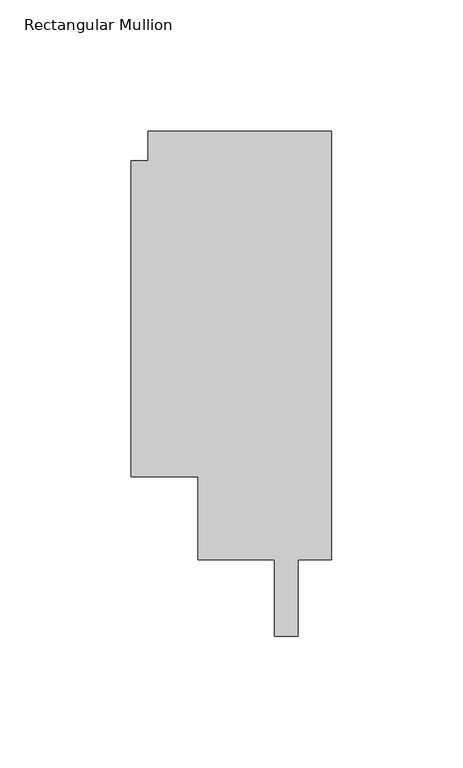
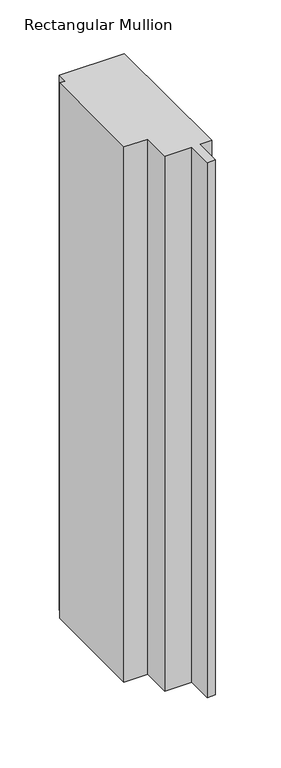
"""IFC4 building model written with IfcOpenShell, lengths in millimetres: member geometry, Rectangular Mullion."""

from ifc_helpers import new_model, si_unit, frame, origin, place, context, project, spatial, polyline, outline, extrude, source, transform, mapped, element, save


def rectangular_mullion_953c6731(model_context):
    return source(origin(), model_context, "Body", "SweptSolid", [
        extrude(outline(polyline([(-69.85, 163.068), (0.0, 163.068), (0.0, 0.0), (-12.7082673, 0.0), (-12.7082673, -29.0594018), (-21.6998673, -29.0594018), (-21.6998673, 0.0), (-50.7999999, 0.0), (-50.7999999, 31.75), (-76.1999999, 31.75), (-76.1999999, 151.892), (-69.85, 151.892), (-69.85, 163.068)])), frame((0.0, 0.0, -609.6), z_axis=(0.0, 0.0, 1.0), x_axis=(1.0, 0.0, 0.0)), (0.0, 0.0, 1.0), 609.6),
    ])


if __name__ == "__main__":
    model = new_model("IFC4")
    model_context = context("Model", 3, world=origin())
    ifc_project = project(units=[si_unit("LENGTHUNIT", "METRE", prefix="MILLI")], contexts=[model_context])
    site = spatial("IfcSite", under=ifc_project)
    building = spatial("IfcBuilding", under=site)
    placement = place(None, origin())
    rectangular_mullion_shape = rectangular_mullion_953c6731(model_context)
    element("IfcMember", 1, ObjectType="Rectangular Mullion", at=placement, inside=building, context=model_context, shape_type="MappedRepresentation", body=[
        mapped(rectangular_mullion_shape, transform((0.0, 0.0, 0.0), x_axis=(1.0, 0.0, 0.0), y_axis=(0.0, 1.0, 0.0), z_axis=(0.0, 0.0, 1.0))),
    ])
    save(model, "model.ifc")
